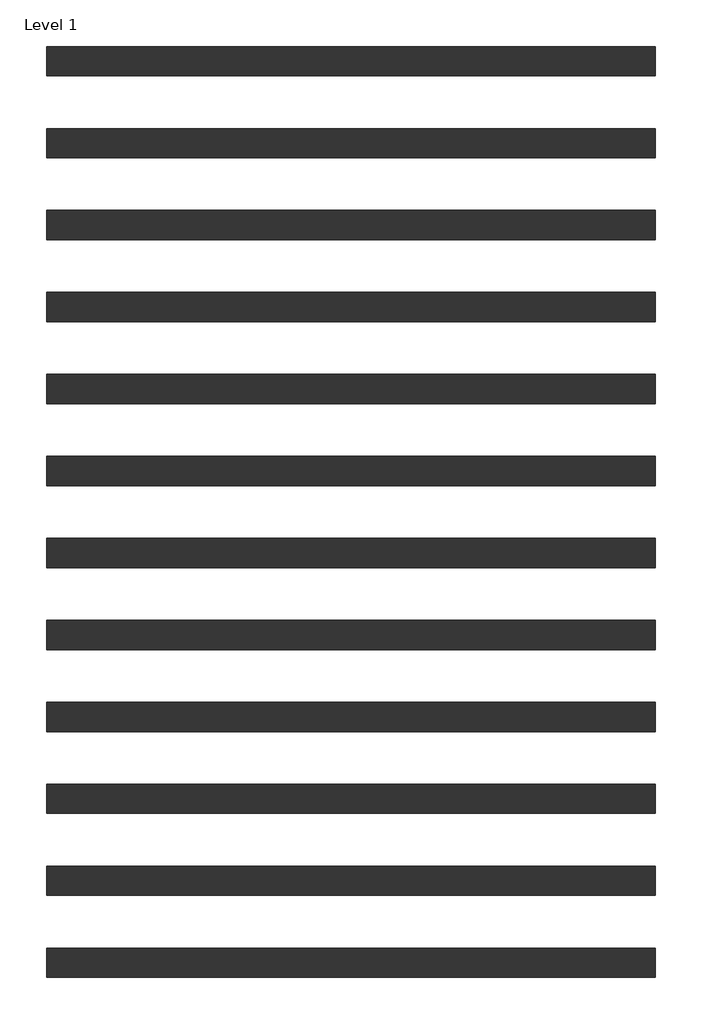
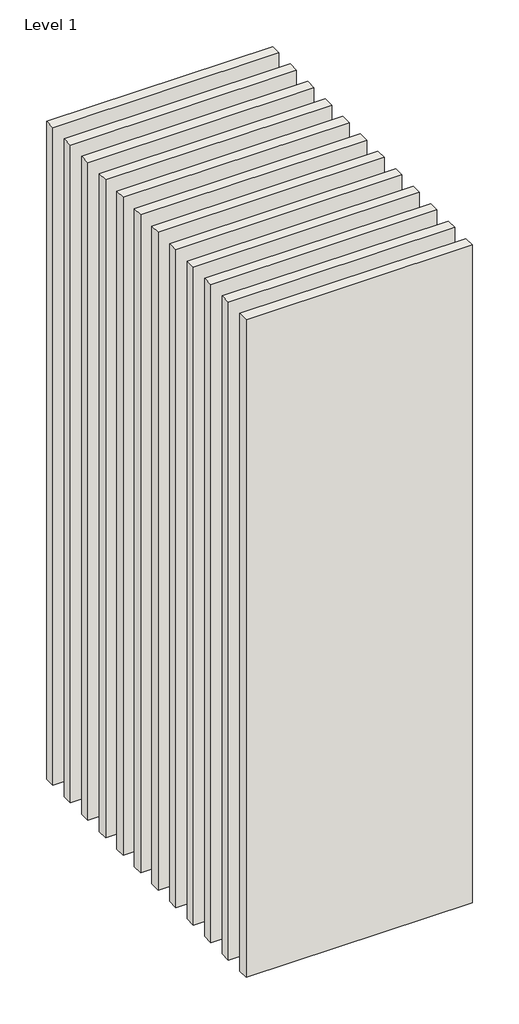
# One storey: 12 walls.
"""IFC4 building model written with IfcOpenShell, lengths in millimetres."""

from ifc_helpers import new_model, si_unit, origin, origin_with_axes, place, context, project, spatial, polyline, outline, extrude, element, save

model = new_model("IFC4")

# Units and contexts
model_context = context("Model", 3, world=origin())
ifc_project = project(units=[si_unit("LENGTHUNIT", "METRE", prefix="MILLI")], contexts=[model_context])

# Site, building, storey
site = spatial("IfcSite", under=ifc_project)
building = spatial("IfcBuilding", under=site)
storey = spatial("IfcBuildingStorey", under=building, Name="Level 1", Elevation=0.0)

# Walls
placement = place(None, origin())
element("IfcWall", 1, at=placement, inside=storey, context=model_context, shape_type="SweptSolid", body=[
    extrude(outline(polyline([(-16904.1464237, 2623.9042935), (-19504.1464237, 2623.9042935), (-19504.1464237, 2748.9042935), (-16904.1464237, 2748.9042935), (-16904.1464237, 2623.9042935)])), origin_with_axes(), (0.0, 0.0, 1.0), 8000.0),
])
element("IfcWall", 2, at=placement, inside=storey, context=model_context, shape_type="SweptSolid", body=[
    extrude(outline(polyline([(-16904.1464237, 2273.9042935), (-19504.1464237, 2273.9042935), (-19504.1464237, 2398.9042935), (-16904.1464237, 2398.9042935), (-16904.1464237, 2273.9042935)])), origin_with_axes(), (0.0, 0.0, 1.0), 8000.0),
])
element("IfcWall", 3, at=placement, inside=storey, context=model_context, shape_type="SweptSolid", body=[
    extrude(outline(polyline([(-16904.1464237, 1923.9042935), (-19504.1464237, 1923.9042935), (-19504.1464237, 2048.9042935), (-16904.1464237, 2048.9042935), (-16904.1464237, 1923.9042935)])), origin_with_axes(), (0.0, 0.0, 1.0), 8000.0),
])
element("IfcWall", 4, at=placement, inside=storey, context=model_context, shape_type="SweptSolid", body=[
    extrude(outline(polyline([(-16904.1464237, 1573.9042935), (-19504.1464237, 1573.9042935), (-19504.1464237, 1698.9042935), (-16904.1464237, 1698.9042935), (-16904.1464237, 1573.9042935)])), origin_with_axes(), (0.0, 0.0, 1.0), 8000.0),
])
element("IfcWall", 5, at=placement, inside=storey, context=model_context, shape_type="SweptSolid", body=[
    extrude(outline(polyline([(-16904.1464237, 1223.9042935), (-19504.1464237, 1223.9042935), (-19504.1464237, 1348.9042935), (-16904.1464237, 1348.9042935), (-16904.1464237, 1223.9042935)])), origin_with_axes(), (0.0, 0.0, 1.0), 8000.0),
])
element("IfcWall", 6, at=placement, inside=storey, context=model_context, shape_type="SweptSolid", body=[
    extrude(outline(polyline([(-16904.1464237, 873.9042935), (-19504.1464237, 873.9042935), (-19504.1464237, 998.9042935), (-16904.1464237, 998.9042935), (-16904.1464237, 873.9042935)])), origin_with_axes(), (0.0, 0.0, 1.0), 8000.0),
])
element("IfcWall", 7, at=placement, inside=storey, context=model_context, shape_type="SweptSolid", body=[
    extrude(outline(polyline([(-16904.1464237, 523.9042935), (-19504.1464237, 523.9042935), (-19504.1464237, 648.9042935), (-16904.1464237, 648.9042935), (-16904.1464237, 523.9042935)])), origin_with_axes(), (0.0, 0.0, 1.0), 8000.0),
])
element("IfcWall", 8, at=placement, inside=storey, context=model_context, shape_type="SweptSolid", body=[
    extrude(outline(polyline([(-16904.1464237, 173.9042935), (-19504.1464237, 173.9042935), (-19504.1464237, 298.9042935), (-16904.1464237, 298.9042935), (-16904.1464237, 173.9042935)])), origin_with_axes(), (0.0, 0.0, 1.0), 8000.0),
])
element("IfcWall", 9, at=placement, inside=storey, context=model_context, shape_type="SweptSolid", body=[
    extrude(outline(polyline([(-16904.1464237, -176.0957065), (-19504.1464237, -176.0957065), (-19504.1464237, -51.0957065), (-16904.1464237, -51.0957065), (-16904.1464237, -176.0957065)])), origin_with_axes(), (0.0, 0.0, 1.0), 8000.0),
])
element("IfcWall", 10, at=placement, inside=storey, context=model_context, shape_type="SweptSolid", body=[
    extrude(outline(polyline([(-16904.1464237, -526.0957065), (-19504.1464237, -526.0957065), (-19504.1464237, -401.0957065), (-16904.1464237, -401.0957065), (-16904.1464237, -526.0957065)])), origin_with_axes(), (0.0, 0.0, 1.0), 8000.0),
])
element("IfcWall", 11, at=placement, inside=storey, context=model_context, shape_type="SweptSolid", body=[
    extrude(outline(polyline([(-16904.1464237, -876.0957065), (-19504.1464237, -876.0957065), (-19504.1464237, -751.0957065), (-16904.1464237, -751.0957065), (-16904.1464237, -876.0957065)])), origin_with_axes(), (0.0, 0.0, 1.0), 8000.0),
])
element("IfcWall", 12, at=placement, inside=storey, context=model_context, shape_type="SweptSolid", body=[
    extrude(outline(polyline([(-16904.1464237, -1226.0957065), (-19504.1464237, -1226.0957065), (-19504.1464237, -1101.0957065), (-16904.1464237, -1101.0957065), (-16904.1464237, -1226.0957065)])), origin_with_axes(), (0.0, 0.0, 1.0), 8000.0),
])

save(model, "model.ifc")
